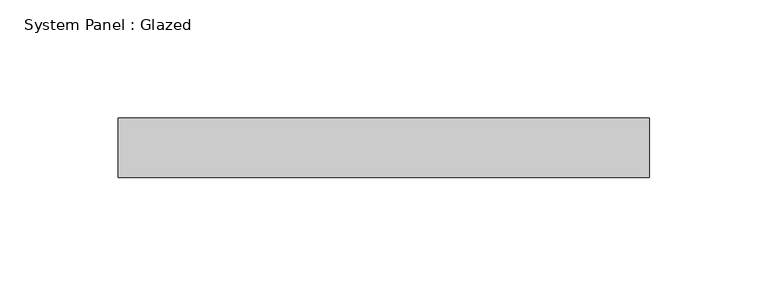
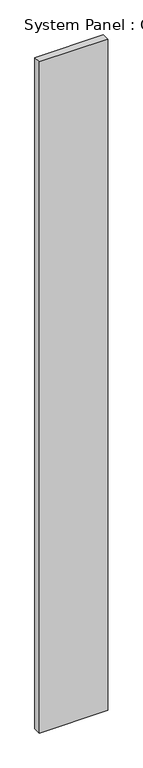
"""IFC4 building model written with IfcOpenShell, lengths in millimetres: plate geometry, System Panel : Glazed."""

import ifcopenshell
import ifcopenshell.guid

model = None  # the IFC model being written
_history = None  # IfcOwnerHistory: only IFC2X3 demands one
_inside = {}  # id of a spatial element -> (the spatial element, [elements in it])
_under = {}  # id of a project, library or spatial element -> (it, [spatial elements below it])
_declared = {}  # id of a project -> (the project, [libraries it declares])
_typed = {}  # id of a type object -> (the type object, [elements of that type])
_made_of = {}  # id of a material, layer set ... -> (it, [elements and type objects made of it])


def new_model(schema):
    """Start an empty IFC model of exactly this schema.

    Asked for "IFC4X3", IfcOpenShell would pick the latest addendum, in which some entities
    have other attributes; the version numbers below select the first issue.
    IFC2X3 requires an IfcOwnerHistory on every rooted entity: one is made here for all.
    """
    global model, _history
    if schema == "IFC4X3":
        model = ifcopenshell.file(schema_version=(4, 3, 0, 0))
    else:
        model = ifcopenshell.file(schema=schema)
    _inside.clear()
    _under.clear()
    _declared.clear()
    _typed.clear()
    _made_of.clear()
    _history = None
    if model.schema == "IFC2X3":
        org = make("IfcOrganization", Name="unknown")
        user = make(
            "IfcPersonAndOrganization",
            ThePerson=make("IfcPerson", FamilyName="unknown"),
            TheOrganization=org,
        )
        app = make(
            "IfcApplication",
            ApplicationDeveloper=org,
            Version="unknown",
            ApplicationFullName="unknown",
            ApplicationIdentifier="unknown",
        )
        _history = make(
            "IfcOwnerHistory",
            OwningUser=user,
            OwningApplication=app,
            ChangeAction="ADDED",
            CreationDate=0,
        )
    return model


def make(cls, **values):
    """One entity of the class cls with the attributes given. An attribute that is None is left unset."""
    return model.create_entity(
        cls, **{name: value for name, value in values.items() if value is not None}
    )


def rooted(cls, **values):
    """An entity with a GlobalId (a new one), such as an element, a storey or a relation."""
    return make(cls, GlobalId=ifcopenshell.guid.new(), OwnerHistory=_history, **values)


def si_unit(unit_type, name, prefix=None):
    """IfcSIUnit, for example si_unit("LENGTHUNIT", "METRE", prefix="MILLI")."""
    return make("IfcSIUnit", UnitType=unit_type, Prefix=prefix, Name=name)


def assignment(units):
    """IfcUnitAssignment: the units of a project."""
    return None if units is None else make("IfcUnitAssignment", Units=units)


def point(xyz):
    """IfcCartesianPoint."""
    return None if xyz is None else make("IfcCartesianPoint", Coordinates=xyz)


def direction(xyz):
    """IfcDirection."""
    return None if xyz is None else make("IfcDirection", DirectionRatios=xyz)


def frame(location, z_axis=None, x_axis=None):
    """IfcAxis2Placement3D, a coordinate frame: its origin and axes. An axis left out is left unset."""
    return make(
        "IfcAxis2Placement3D",
        Location=point(location),
        Axis=direction(z_axis),
        RefDirection=direction(x_axis),
    )


def origin():
    """The frame at (0, 0, 0) with its axes left unset."""
    return frame((0.0, 0.0, 0.0))


def origin_with_axes():
    """The frame at (0, 0, 0) with the z axis (0, 0, 1) and the x axis (1, 0, 0) written out."""
    return frame((0.0, 0.0, 0.0), z_axis=(0.0, 0.0, 1.0), x_axis=(1.0, 0.0, 0.0))


def place(relative_to, where):
    """IfcLocalPlacement: puts the frame where relative to a parent placement (None: the world)."""
    return make(
        "IfcLocalPlacement", PlacementRelTo=relative_to, RelativePlacement=where
    )


def context(
    kind, dimensions, precision=None, world=None, true_north=None, identifier=None
):
    """IfcGeometricRepresentationContext, for example the 3D "Model" context."""
    return make(
        "IfcGeometricRepresentationContext",
        ContextIdentifier=identifier,
        ContextType=kind,
        CoordinateSpaceDimension=dimensions,
        Precision=precision,
        WorldCoordinateSystem=world,
        TrueNorth=true_north,
    )


def project(units=None, contexts=None):
    """IfcProject with its units and contexts."""
    return rooted(
        "IfcProject",
        Name="project",
        RepresentationContexts=contexts,
        UnitsInContext=assignment(units),
    )


def spatial(cls, under=None, at=None, **own):
    """A site, building, storey or space (cls), placed at a placement, below another one or the project."""
    s = rooted(cls, ObjectPlacement=at, **own)
    if under is not None:
        _under.setdefault(under.id(), (under, []))[1].append(s)
    return s


def polyline(points):
    """IfcPolyline through the points."""
    return make("IfcPolyline", Points=[point(p) for p in points])


def outline(outer, holes=None, kind="AREA"):
    """IfcArbitraryClosedProfileDef: a profile drawn as a closed curve; with holes, ...WithVoids."""
    if holes is None:
        return make("IfcArbitraryClosedProfileDef", ProfileType=kind, OuterCurve=outer)
    return make(
        "IfcArbitraryProfileDefWithVoids",
        ProfileType=kind,
        OuterCurve=outer,
        InnerCurves=holes,
    )


def extrude(swept, where, along, depth):
    """IfcExtrudedAreaSolid: the profile swept, set in the frame where, extruded along a direction by depth."""
    return make(
        "IfcExtrudedAreaSolid",
        SweptArea=swept,
        Position=where,
        ExtrudedDirection=direction(along),
        Depth=depth,
    )


def shape(context_of_items, identifier, shape_type, items):
    """IfcShapeRepresentation: the items that make up one representation, for example the "Body"."""
    return make(
        "IfcShapeRepresentation",
        ContextOfItems=context_of_items,
        RepresentationIdentifier=identifier,
        RepresentationType=shape_type,
        Items=items,
    )


def source(mapping_origin, context_of_items, identifier, shape_type, items):
    """IfcRepresentationMap: a shape defined once, which mapped items show again and again."""
    return make(
        "IfcRepresentationMap",
        MappingOrigin=mapping_origin,
        MappedRepresentation=shape(context_of_items, identifier, shape_type, items),
    )


def transform(
    local_origin,
    x_axis=None,
    y_axis=None,
    z_axis=None,
    scale=None,
    scale2=None,
    scale3=None,
    uniform=True,
):
    """IfcCartesianTransformationOperator3D, or its non-uniform kind. x_axis, y_axis, z_axis: its Axis1, 2, 3."""
    if uniform:
        return make(
            "IfcCartesianTransformationOperator3D",
            Axis1=direction(x_axis),
            Axis2=direction(y_axis),
            LocalOrigin=point(local_origin),
            Scale=scale,
            Axis3=direction(z_axis),
        )
    return make(
        "IfcCartesianTransformationOperator3DnonUniform",
        Axis1=direction(x_axis),
        Axis2=direction(y_axis),
        LocalOrigin=point(local_origin),
        Scale=scale,
        Axis3=direction(z_axis),
        Scale2=scale2,
        Scale3=scale3,
    )


def mapped(mapping_source, mapping_target):
    """IfcMappedItem: shows the shape of a source again, moved by a transform."""
    return make(
        "IfcMappedItem", MappingSource=mapping_source, MappingTarget=mapping_target
    )


def made_of(thing, what):
    """Note that an element or type object is made of a material, layer set ...; save() writes the relation."""
    if what is not None:
        _made_of.setdefault(what.id(), (what, []))[1].append(thing)
    return thing


def element(
    cls,
    number,
    at=None,
    inside=None,
    cuts=None,
    type_object=None,
    material=None,
    context=None,
    identifier="Body",
    shape_type=None,
    held_by="IfcProductDefinitionShape",
    body=None,
    shapes=None,
    **own,
):
    """One element of the class cls, such as IfcWall. Its Tag is "e" and its number.

    at: its placement. inside: the storey or other place that contains it. cuts: it is an
    opening in that element (IfcRelVoidsElement). A single representation is given by context,
    identifier, shape_type and body (its items); several are given by shapes. held_by: the class
    of the entity that holds the representations. save() writes the other relations.
    """
    e = rooted(cls, Tag="e%d" % number, ObjectPlacement=at, **own)
    if body is not None:
        shapes = [shape(context, identifier, shape_type, body)]
    if shapes is not None:
        e.Representation = make(held_by, Representations=shapes)
    if inside is not None:
        _inside.setdefault(inside.id(), (inside, []))[1].append(e)
    if cuts is not None:
        rooted(
            "IfcRelVoidsElement", RelatingBuildingElement=cuts, RelatedOpeningElement=e
        )
    if type_object is not None:
        _typed.setdefault(type_object.id(), (type_object, []))[1].append(e)
    return made_of(e, material)


def aggregate(whole, parts):
    """IfcRelAggregates: a whole, such as a stair, and the parts it consists of."""
    return rooted("IfcRelAggregates", RelatingObject=whole, RelatedObjects=parts)


def save(model, path):
    """Write the relations noted so far, then the file.

    IfcRelAggregates (storeys below a building ...), IfcRelContainedInSpatialStructure (elements
    in a storey), IfcRelDefinesByType, IfcRelAssociatesMaterial and IfcRelDeclares: one each for
    every whole, place, type object, material and project.
    """
    for whole, parts in _under.values():
        aggregate(whole, parts)
    for where, things in _inside.values():
        rooted(
            "IfcRelContainedInSpatialStructure",
            RelatedElements=things,
            RelatingStructure=where,
        )
    for kind, things in _typed.values():
        rooted("IfcRelDefinesByType", RelatedObjects=things, RelatingType=kind)
    for what, things in _made_of.values():
        rooted("IfcRelAssociatesMaterial", RelatedObjects=things, RelatingMaterial=what)
    for by, libraries in _declared.values():
        rooted("IfcRelDeclares", RelatingContext=by, RelatedDefinitions=libraries)
    model.write(path)


def system_panel_glazed_1acd507f(model_context):
    return source(origin(), model_context, "Body", "SweptSolid", [
        extrude(outline(polyline([(112.0771004, 24.5), (-112.0771004, 24.5), (-112.0771004, 49.5), (112.0771004, 49.5), (112.0771004, 24.5)])), origin_with_axes(), (0.0, 0.0, 1.0), 2325.0),
    ])


if __name__ == "__main__":
    model = new_model("IFC4")
    model_context = context("Model", 3, world=origin())
    ifc_project = project(units=[si_unit("LENGTHUNIT", "METRE", prefix="MILLI")], contexts=[model_context])
    site = spatial("IfcSite", under=ifc_project)
    building = spatial("IfcBuilding", under=site)
    placement = place(None, origin())
    system_panel_glazed_shape = system_panel_glazed_1acd507f(model_context)
    element("IfcPlate", 1, ObjectType="System Panel : Glazed", at=placement, inside=building, context=model_context, shape_type="MappedRepresentation", body=[
        mapped(system_panel_glazed_shape, transform((0.0, 0.0, 0.0), x_axis=(1.0, 0.0, 0.0), y_axis=(0.0, 1.0, 0.0), z_axis=(0.0, 0.0, 1.0))),
    ])
    save(model, "model.ifc")
